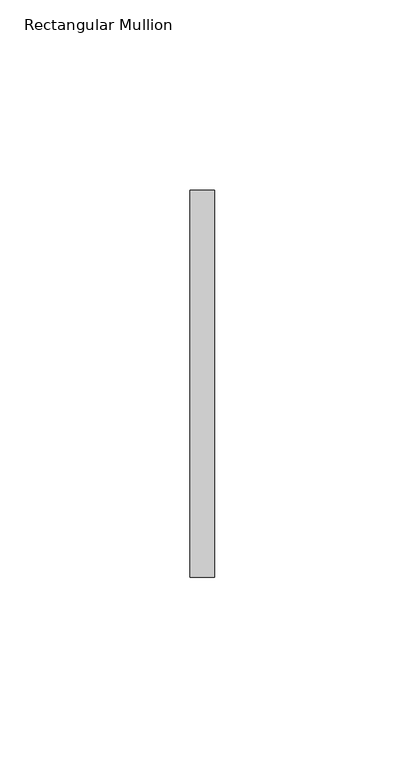
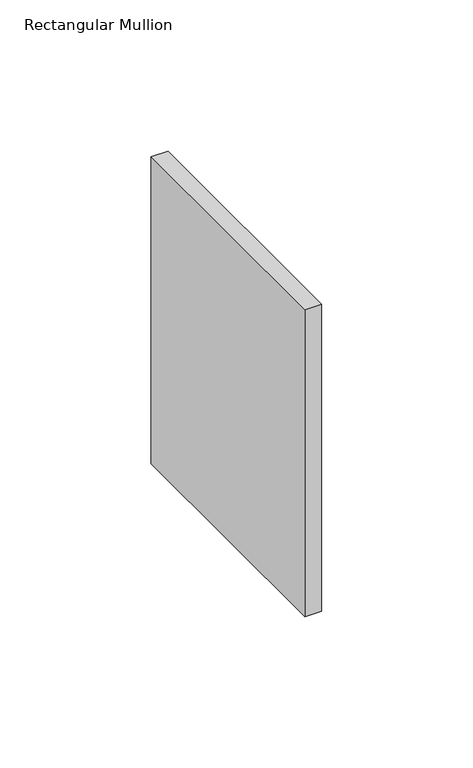
"""IFC4 building model written with IfcOpenShell, lengths in millimetres: member geometry, Rectangular Mullion."""

from ifc_helpers import new_model, si_unit, frame, origin, place, context, project, spatial, polyline, outline, extrude, source, transform, mapped, element, save


def rectangular_mullion_31c2e500(model_context):
    return source(origin(), model_context, "Body", "SweptSolid", [
        extrude(outline(polyline([(0.0, 50.8), (0.0, -50.8), (-6.35, -50.8), (-6.35, 50.8), (0.0, 50.8)])), frame((0.0, 0.0, -123.7990468), z_axis=(0.0, 0.0, 1.0), x_axis=(1.0, 0.0, 0.0)), (0.0, 0.0, 1.0), 123.7990468),
    ])


if __name__ == "__main__":
    model = new_model("IFC4")
    model_context = context("Model", 3, world=origin())
    ifc_project = project(units=[si_unit("LENGTHUNIT", "METRE", prefix="MILLI")], contexts=[model_context])
    site = spatial("IfcSite", under=ifc_project)
    building = spatial("IfcBuilding", under=site)
    placement = place(None, origin())
    rectangular_mullion_shape = rectangular_mullion_31c2e500(model_context)
    element("IfcMember", 1, ObjectType="Rectangular Mullion", at=placement, inside=building, context=model_context, shape_type="MappedRepresentation", body=[
        mapped(rectangular_mullion_shape, transform((0.0, 0.0, 0.0), x_axis=(1.0, 0.0, 0.0), y_axis=(0.0, 1.0, 0.0), z_axis=(0.0, 0.0, 1.0))),
    ])
    save(model, "model.ifc")
